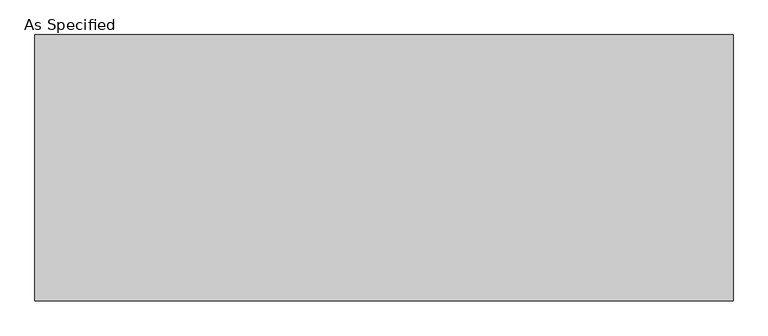
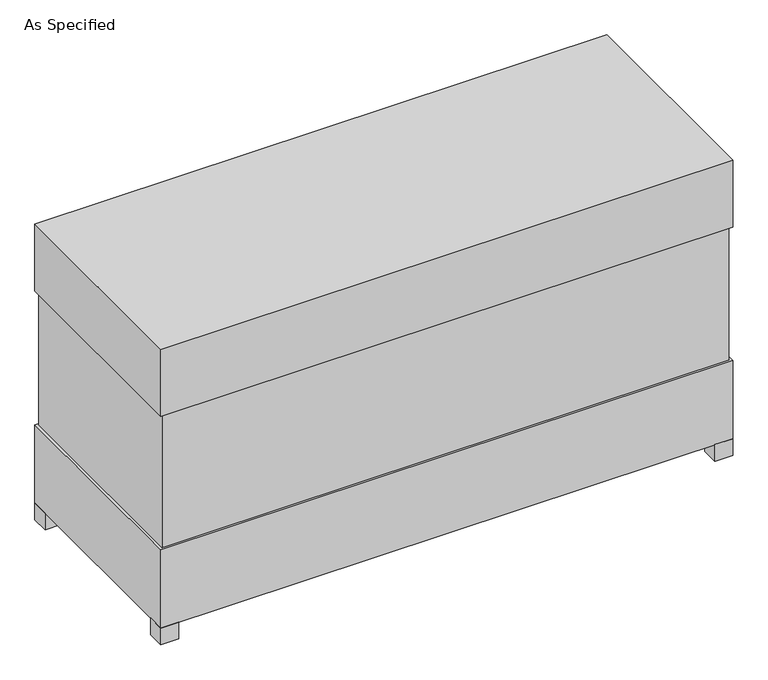
"""IFC4 building model written with IfcOpenShell, lengths in millimetres: proxy geometry, As Specified."""

import ifcopenshell
import ifcopenshell.guid

model = None  # the IFC model being written
_history = None  # IfcOwnerHistory: only IFC2X3 demands one
_inside = {}  # id of a spatial element -> (the spatial element, [elements in it])
_under = {}  # id of a project, library or spatial element -> (it, [spatial elements below it])
_declared = {}  # id of a project -> (the project, [libraries it declares])
_typed = {}  # id of a type object -> (the type object, [elements of that type])
_made_of = {}  # id of a material, layer set ... -> (it, [elements and type objects made of it])


def new_model(schema):
    """Start an empty IFC model of exactly this schema.

    Asked for "IFC4X3", IfcOpenShell would pick the latest addendum, in which some entities
    have other attributes; the version numbers below select the first issue.
    IFC2X3 requires an IfcOwnerHistory on every rooted entity: one is made here for all.
    """
    global model, _history
    if schema == "IFC4X3":
        model = ifcopenshell.file(schema_version=(4, 3, 0, 0))
    else:
        model = ifcopenshell.file(schema=schema)
    _inside.clear()
    _under.clear()
    _declared.clear()
    _typed.clear()
    _made_of.clear()
    _history = None
    if model.schema == "IFC2X3":
        org = make("IfcOrganization", Name="unknown")
        user = make(
            "IfcPersonAndOrganization",
            ThePerson=make("IfcPerson", FamilyName="unknown"),
            TheOrganization=org,
        )
        app = make(
            "IfcApplication",
            ApplicationDeveloper=org,
            Version="unknown",
            ApplicationFullName="unknown",
            ApplicationIdentifier="unknown",
        )
        _history = make(
            "IfcOwnerHistory",
            OwningUser=user,
            OwningApplication=app,
            ChangeAction="ADDED",
            CreationDate=0,
        )
    return model


def make(cls, **values):
    """One entity of the class cls with the attributes given. An attribute that is None is left unset."""
    return model.create_entity(
        cls, **{name: value for name, value in values.items() if value is not None}
    )


def rooted(cls, **values):
    """An entity with a GlobalId (a new one), such as an element, a storey or a relation."""
    return make(cls, GlobalId=ifcopenshell.guid.new(), OwnerHistory=_history, **values)


def si_unit(unit_type, name, prefix=None):
    """IfcSIUnit, for example si_unit("LENGTHUNIT", "METRE", prefix="MILLI")."""
    return make("IfcSIUnit", UnitType=unit_type, Prefix=prefix, Name=name)


def assignment(units):
    """IfcUnitAssignment: the units of a project."""
    return None if units is None else make("IfcUnitAssignment", Units=units)


def point(xyz):
    """IfcCartesianPoint."""
    return None if xyz is None else make("IfcCartesianPoint", Coordinates=xyz)


def direction(xyz):
    """IfcDirection."""
    return None if xyz is None else make("IfcDirection", DirectionRatios=xyz)


def frame(location, z_axis=None, x_axis=None):
    """IfcAxis2Placement3D, a coordinate frame: its origin and axes. An axis left out is left unset."""
    return make(
        "IfcAxis2Placement3D",
        Location=point(location),
        Axis=direction(z_axis),
        RefDirection=direction(x_axis),
    )


def origin():
    """The frame at (0, 0, 0) with its axes left unset."""
    return frame((0.0, 0.0, 0.0))


def origin_with_axes():
    """The frame at (0, 0, 0) with the z axis (0, 0, 1) and the x axis (1, 0, 0) written out."""
    return frame((0.0, 0.0, 0.0), z_axis=(0.0, 0.0, 1.0), x_axis=(1.0, 0.0, 0.0))


def place(relative_to, where):
    """IfcLocalPlacement: puts the frame where relative to a parent placement (None: the world)."""
    return make(
        "IfcLocalPlacement", PlacementRelTo=relative_to, RelativePlacement=where
    )


def context(
    kind, dimensions, precision=None, world=None, true_north=None, identifier=None
):
    """IfcGeometricRepresentationContext, for example the 3D "Model" context."""
    return make(
        "IfcGeometricRepresentationContext",
        ContextIdentifier=identifier,
        ContextType=kind,
        CoordinateSpaceDimension=dimensions,
        Precision=precision,
        WorldCoordinateSystem=world,
        TrueNorth=true_north,
    )


def project(units=None, contexts=None):
    """IfcProject with its units and contexts."""
    return rooted(
        "IfcProject",
        Name="project",
        RepresentationContexts=contexts,
        UnitsInContext=assignment(units),
    )


def spatial(cls, under=None, at=None, **own):
    """A site, building, storey or space (cls), placed at a placement, below another one or the project."""
    s = rooted(cls, ObjectPlacement=at, **own)
    if under is not None:
        _under.setdefault(under.id(), (under, []))[1].append(s)
    return s


def polyline(points):
    """IfcPolyline through the points."""
    return make("IfcPolyline", Points=[point(p) for p in points])


def outline(outer, holes=None, kind="AREA"):
    """IfcArbitraryClosedProfileDef: a profile drawn as a closed curve; with holes, ...WithVoids."""
    if holes is None:
        return make("IfcArbitraryClosedProfileDef", ProfileType=kind, OuterCurve=outer)
    return make(
        "IfcArbitraryProfileDefWithVoids",
        ProfileType=kind,
        OuterCurve=outer,
        InnerCurves=holes,
    )


def extrude(swept, where, along, depth):
    """IfcExtrudedAreaSolid: the profile swept, set in the frame where, extruded along a direction by depth."""
    return make(
        "IfcExtrudedAreaSolid",
        SweptArea=swept,
        Position=where,
        ExtrudedDirection=direction(along),
        Depth=depth,
    )


def shape(context_of_items, identifier, shape_type, items):
    """IfcShapeRepresentation: the items that make up one representation, for example the "Body"."""
    return make(
        "IfcShapeRepresentation",
        ContextOfItems=context_of_items,
        RepresentationIdentifier=identifier,
        RepresentationType=shape_type,
        Items=items,
    )


def source(mapping_origin, context_of_items, identifier, shape_type, items):
    """IfcRepresentationMap: a shape defined once, which mapped items show again and again."""
    return make(
        "IfcRepresentationMap",
        MappingOrigin=mapping_origin,
        MappedRepresentation=shape(context_of_items, identifier, shape_type, items),
    )


def transform(
    local_origin,
    x_axis=None,
    y_axis=None,
    z_axis=None,
    scale=None,
    scale2=None,
    scale3=None,
    uniform=True,
):
    """IfcCartesianTransformationOperator3D, or its non-uniform kind. x_axis, y_axis, z_axis: its Axis1, 2, 3."""
    if uniform:
        return make(
            "IfcCartesianTransformationOperator3D",
            Axis1=direction(x_axis),
            Axis2=direction(y_axis),
            LocalOrigin=point(local_origin),
            Scale=scale,
            Axis3=direction(z_axis),
        )
    return make(
        "IfcCartesianTransformationOperator3DnonUniform",
        Axis1=direction(x_axis),
        Axis2=direction(y_axis),
        LocalOrigin=point(local_origin),
        Scale=scale,
        Axis3=direction(z_axis),
        Scale2=scale2,
        Scale3=scale3,
    )


def mapped(mapping_source, mapping_target):
    """IfcMappedItem: shows the shape of a source again, moved by a transform."""
    return make(
        "IfcMappedItem", MappingSource=mapping_source, MappingTarget=mapping_target
    )


def made_of(thing, what):
    """Note that an element or type object is made of a material, layer set ...; save() writes the relation."""
    if what is not None:
        _made_of.setdefault(what.id(), (what, []))[1].append(thing)
    return thing


def element(
    cls,
    number,
    at=None,
    inside=None,
    cuts=None,
    type_object=None,
    material=None,
    context=None,
    identifier="Body",
    shape_type=None,
    held_by="IfcProductDefinitionShape",
    body=None,
    shapes=None,
    **own,
):
    """One element of the class cls, such as IfcWall. Its Tag is "e" and its number.

    at: its placement. inside: the storey or other place that contains it. cuts: it is an
    opening in that element (IfcRelVoidsElement). A single representation is given by context,
    identifier, shape_type and body (its items); several are given by shapes. held_by: the class
    of the entity that holds the representations. save() writes the other relations.
    """
    e = rooted(cls, Tag="e%d" % number, ObjectPlacement=at, **own)
    if body is not None:
        shapes = [shape(context, identifier, shape_type, body)]
    if shapes is not None:
        e.Representation = make(held_by, Representations=shapes)
    if inside is not None:
        _inside.setdefault(inside.id(), (inside, []))[1].append(e)
    if cuts is not None:
        rooted(
            "IfcRelVoidsElement", RelatingBuildingElement=cuts, RelatedOpeningElement=e
        )
    if type_object is not None:
        _typed.setdefault(type_object.id(), (type_object, []))[1].append(e)
    return made_of(e, material)


def aggregate(whole, parts):
    """IfcRelAggregates: a whole, such as a stair, and the parts it consists of."""
    return rooted("IfcRelAggregates", RelatingObject=whole, RelatedObjects=parts)


def save(model, path):
    """Write the relations noted so far, then the file.

    IfcRelAggregates (storeys below a building ...), IfcRelContainedInSpatialStructure (elements
    in a storey), IfcRelDefinesByType, IfcRelAssociatesMaterial and IfcRelDeclares: one each for
    every whole, place, type object, material and project.
    """
    for whole, parts in _under.values():
        aggregate(whole, parts)
    for where, things in _inside.values():
        rooted(
            "IfcRelContainedInSpatialStructure",
            RelatedElements=things,
            RelatingStructure=where,
        )
    for kind, things in _typed.values():
        rooted("IfcRelDefinesByType", RelatedObjects=things, RelatingType=kind)
    for what, things in _made_of.values():
        rooted("IfcRelAssociatesMaterial", RelatedObjects=things, RelatingMaterial=what)
    for by, libraries in _declared.values():
        rooted("IfcRelDeclares", RelatingContext=by, RelatedDefinitions=libraries)
    model.write(path)


def as_specified_d3347bf4(model_context):
    return source(origin(), model_context, "Body", "SweptSolid", [
        extrude(outline(polyline([(1220.7875, 458.7875), (1220.7875, -458.7875), (-1220.7875, -458.7875), (-1220.7875, 458.7875), (1220.7875, 458.7875)])), frame((0.0, 0.0, 431.8), z_axis=(0.0, 0.0, 1.0), x_axis=(1.0, 0.0, 0.0)), (0.0, 0.0, 1.0), 609.6),
        extrude(outline(polyline([(1231.9, 469.9), (1231.9, -469.9), (-1231.9, -469.9), (-1231.9, 469.9), (1231.9, 469.9)])), frame((0.0, 0.0, 1041.4), z_axis=(0.0, 0.0, 1.0), x_axis=(1.0, 0.0, 0.0)), (0.0, 0.0, 1.0), 304.8),
        extrude(outline(polyline([(1117.6, 254.0), (1117.6, 177.8), (1041.4, 177.8), (1041.4, 254.0), (1117.6, 254.0)])), frame((0.0, 0.0, 50.8), z_axis=(0.0, 0.0, 1.0), x_axis=(1.0, 0.0, 0.0)), (0.0, 0.0, 1.0), 25.4),
        extrude(outline(polyline([(1117.6, -177.8), (1117.6, -254.0), (1041.4, -254.0), (1041.4, -177.8), (1117.6, -177.8)])), frame((0.0, 0.0, 50.8), z_axis=(0.0, 0.0, 1.0), x_axis=(1.0, 0.0, 0.0)), (0.0, 0.0, 1.0), 25.4),
        extrude(outline(polyline([(-1155.7, 469.9), (-1155.7, 393.7), (-1231.9, 393.7), (-1231.9, 469.9), (-1155.7, 469.9)])), origin_with_axes(), (0.0, 0.0, 1.0), 76.2),
        extrude(outline(polyline([(1231.9, 469.9), (1231.9, 393.7), (1155.7, 393.7), (1155.7, 469.9), (1231.9, 469.9)])), origin_with_axes(), (0.0, 0.0, 1.0), 76.2),
        extrude(outline(polyline([(1231.9, -393.7), (1231.9, -469.9), (1155.7, -469.9), (1155.7, -393.7), (1231.9, -393.7)])), origin_with_axes(), (0.0, 0.0, 1.0), 76.2),
        extrude(outline(polyline([(-1155.7, -393.7), (-1155.7, -469.9), (-1231.9, -469.9), (-1231.9, -393.7), (-1155.7, -393.7)])), origin_with_axes(), (0.0, 0.0, 1.0), 76.2),
        extrude(outline(polyline([(1231.9, 469.9), (1231.9, -469.9), (-1231.9, -469.9), (-1231.9, 469.9), (1231.9, 469.9)])), frame((0.0, 0.0, 76.2), z_axis=(0.0, 0.0, 1.0), x_axis=(1.0, 0.0, 0.0)), (0.0, 0.0, 1.0), 355.6),
    ])


if __name__ == "__main__":
    model = new_model("IFC4")
    model_context = context("Model", 3, world=origin())
    ifc_project = project(units=[si_unit("LENGTHUNIT", "METRE", prefix="MILLI")], contexts=[model_context])
    site = spatial("IfcSite", under=ifc_project)
    building = spatial("IfcBuilding", under=site)
    placement = place(None, origin())
    as_specified_shape = as_specified_d3347bf4(model_context)
    element("IfcBuildingElementProxy", 1, Name="As Specified", ObjectType="As Specified", at=placement, inside=building, context=model_context, shape_type="MappedRepresentation", body=[
        mapped(as_specified_shape, transform((0.0, 0.0, 0.0), x_axis=(1.0, 0.0, 0.0), y_axis=(0.0, 1.0, 0.0), z_axis=(0.0, 0.0, 1.0))),
    ])
    save(model, "model.ifc")
